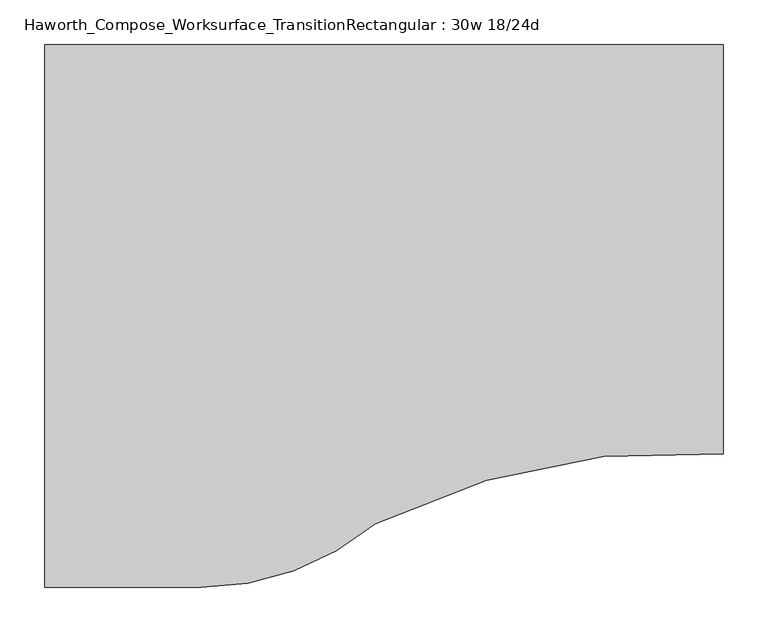
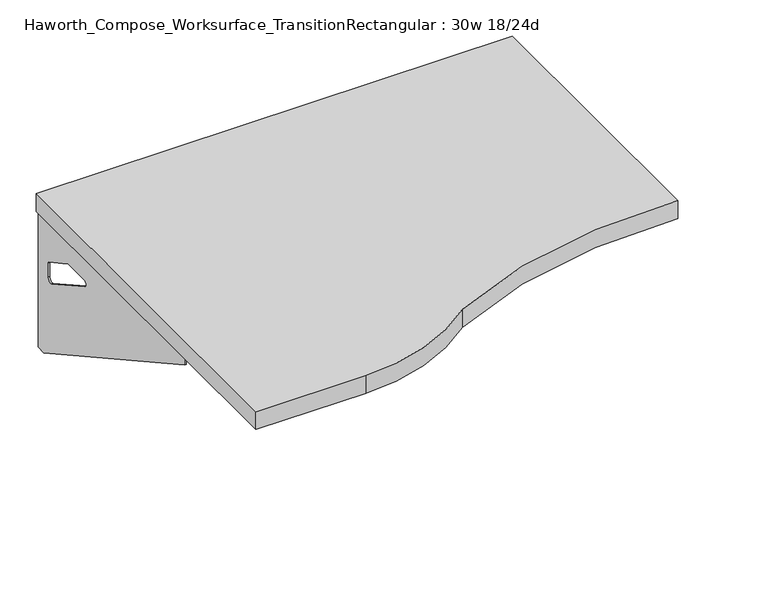
"""IFC4 building model written with IfcOpenShell, lengths in millimetres: furniture geometry, Haworth_Compose_Worksurface_TransitionRectangular : 30w 18/24d."""

from ifc_helpers import new_model, si_unit, point, frame, frame_2d, origin, place, context, project, spatial, polyline, circle_curve, trimmed, segment, composite_curve, outline, extrude, source, transform, mapped, element, save
from ifc_brep_helpers import plane_surface, revolved_surface, advanced_brep


def haworth_compose_worksurface_transitionrectangular_30w_18_24d_7a8aa295(model_context):
    return source(origin(), model_context, "Body", "SolidModel", [
        advanced_brep(
        [(356.39375, 152.4, 475.45625), (356.39375, 136.525, 475.45625), (356.39375, -254.0, 691.7192568), (356.39375, -254.0, 704.05625), (356.39375, 136.525, 704.05625), (356.39375, 152.4, 704.05625), (356.39375, 69.090072, 665.95625), (356.39375, 25.4355284, 665.95625), (356.39375, 22.7564235, 656.3705539), (356.39375, 114.4776173, 605.5776439), (356.39375, 123.825, 611.1756969), (356.39375, 123.825, 634.6860246), (356.39375, 122.0730055, 637.5242776), (356.39375, 72.1663437, 665.1613425), (358.775, 152.4, 475.45625), (358.775, 152.4, 704.05625), (358.775, 136.525, 704.05625), (358.775, 136.525, 706.4375), (358.775, -254.0, 706.4375), (358.775, -254.0, 691.7192568), (358.775, 136.525, 475.45625), (358.775, 69.090072, 665.95625), (358.775, 72.1663437, 665.1613425), (358.775, 122.0730055, 637.5242776), (358.775, 123.825, 634.6860246), (358.775, 123.825, 611.1756969), (358.775, 114.4776173, 605.5776439), (358.775, 22.7564235, 656.3705539), (358.775, 25.4355284, 665.95625), (317.5, -254.0, 706.4375), (317.5, -254.0, 704.05625), (317.5, 136.525, 704.05625), (317.5, 136.525, 706.4375)],
        [
            (0, 1),
            (1, 2),
            (2, 3),
            (3, 4),
            (4, 5),
            (5, 0),
            (6, 7),
            (7, 8, circle_curve(frame((356.39375, 25.4355284, 660.7890106), z_axis=(1.0, 0.0, 0.0), x_axis=(0.0, -1.0, 0.0)), 5.1672394)),
            (8, 9),
            (9, 10, circle_curve(frame((356.39375, 117.475, 611.1756969), z_axis=(1.0, 0.0, 0.0), x_axis=(0.0, -1.0, 0.0)), 6.35)),
            (10, 11),
            (11, 12, circle_curve(frame((356.39375, 120.65, 634.6860246), z_axis=(1.0, 0.0, 0.0), x_axis=(0.0, -1.0, 0.0)), 3.175)),
            (12, 13),
            (13, 6, circle_curve(frame((356.39375, 69.090072, 659.60625), z_axis=(1.0, 0.0, 0.0), x_axis=(0.0, -1.0, 0.0)), 6.35)),
            (14, 15),
            (15, 16),
            (16, 17),
            (17, 18),
            (18, 19),
            (19, 20),
            (20, 14),
            (21, 22, circle_curve(frame((358.775, 69.090072, 659.60625), z_axis=(-1.0, 0.0, 0.0), x_axis=(0.0, -1.0, 0.0)), 6.35)),
            (22, 23),
            (23, 24, circle_curve(frame((358.775, 120.65, 634.6860246), z_axis=(-1.0, 0.0, 0.0), x_axis=(0.0, -1.0, 0.0)), 3.175)),
            (24, 25),
            (25, 26, circle_curve(frame((358.775, 117.475, 611.1756969), z_axis=(-1.0, 0.0, 0.0), x_axis=(0.0, -1.0, 0.0)), 6.35)),
            (26, 27),
            (27, 28, circle_curve(frame((358.775, 25.4355284, 660.7890106), z_axis=(-1.0, 0.0, 0.0), x_axis=(0.0, -1.0, 0.0)), 5.1672394)),
            (28, 21),
            (4, 16),
            (15, 5),
            (14, 0),
            (20, 1),
            (19, 2),
            (18, 29),
            (29, 30),
            (30, 3),
            (6, 21),
            (28, 7),
            (9, 26),
            (25, 10),
            (24, 11),
            (23, 12),
            (27, 8),
            (31, 4),
            (30, 31),
            (32, 29),
            (17, 32),
            (31, 32),
            (22, 13),
        ],
        [
            plane_surface(frame((356.39375, 152.4, 475.45625), z_axis=(-1.0, 0.0, 0.0), x_axis=(0.0, 1.0, 0.0))),
            plane_surface(frame((358.775, 152.4, 475.45625), z_axis=(1.0, 0.0, 0.0), x_axis=(0.0, -1.0, 0.0))),
            plane_surface(frame((358.775, -254.0, 704.05625), z_axis=(0.0, 0.0, 1.0), x_axis=(-1.0, 0.0, 0.0))),
            plane_surface(frame((358.775, 152.4, 704.05625), z_axis=(0.0, 1.0, 0.0), x_axis=(-1.0, 0.0, 0.0))),
            plane_surface(frame((358.775, 152.4, 475.45625), z_axis=(0.0, 0.0, -1.0), x_axis=(-1.0, 0.0, 0.0))),
            plane_surface(frame((358.775, 136.525, 475.45625), z_axis=(0.0, -0.48445223513455843, -0.8748177135112952), x_axis=(-1.0, 0.0, 0.0))),
            plane_surface(frame((358.775, -254.0, 691.7192568), z_axis=(0.0, -1.0, 0.0), x_axis=(-1.0, 0.0, 0.0))),
            plane_surface(frame((358.775, 69.090072, 665.95625), z_axis=(0.0, 0.0, -1.0), x_axis=(-1.0, 0.0, 0.0))),
            revolved_surface(polyline([(356.39375, 111.125, 611.1756969), (358.775, 111.125, 611.1756969)]), (358.775, 117.475, 611.1756969), (-1.0, 0.0, 0.0)),
            plane_surface(frame((358.775, 123.825, 611.1756969), z_axis=(0.0, -1.0, 0.0), x_axis=(-1.0, 0.0, 0.0))),
            revolved_surface(polyline([(356.39375, 117.47500000000001, 634.6860246), (358.775, 117.47500000000001, 634.6860246)]), (358.775, 120.65, 634.6860246), (-1.0, 0.0, 0.0)),
            revolved_surface(polyline([(356.39375, 20.268289, 660.7890106), (358.775, 20.268289, 660.7890106)]), (358.775, 25.4355284, 660.7890106), (-1.0, 0.0, 0.0)),
            plane_surface(frame((358.775, 136.525, 704.05625), z_axis=(0.0, 0.0, -1.0), x_axis=(-1.0, 0.0, 0.0))),
            plane_surface(frame((358.775, 136.525, 706.4375), z_axis=(0.0, 0.0, 1.0), x_axis=(1.0, 0.0, 0.0))),
            plane_surface(frame((317.5, 136.525, 706.4375), z_axis=(0.0, 1.0, 0.0), x_axis=(0.0, 0.0, -1.0))),
            plane_surface(frame((317.5, -254.0, 706.4375), z_axis=(-1.0, 0.0, 0.0), x_axis=(0.0, 0.0, -1.0))),
            plane_surface(frame((358.775, 22.7564235, 656.3705539), z_axis=(0.0, 0.4844522351345583, 0.8748177135112953), x_axis=(-1.0, 0.0, 0.0))),
            plane_surface(frame((358.775, 122.0730055, 637.5242776), z_axis=(0.0, -0.4844522351345582, -0.8748177135112953), x_axis=(-1.0, 0.0, 0.0))),
            revolved_surface(polyline([(356.39375, 62.740072000000005, 659.60625), (358.775, 62.740072000000005, 659.60625)]), (358.775, 69.090072, 659.60625), (-1.0, 0.0, 0.0)),
        ],
        [
            (0, [[1, 2, 3, 4, 5, 6], [7, 8, 9, 10, 11, 12, 13, 14]]),
            (1, [[15, 16, 17, 18, 19, 20, 21], [22, 23, 24, 25, 26, 27, 28, 29]]),
            (2, [[-5, 30, -16, 31]]),
            (3, [[-31, -15, 32, -6]]),
            (4, [[-32, -21, 33, -1]]),
            (5, [[-33, -20, 34, -2]]),
            (6, [[-34, -19, 35, 36, 37, -3]]),
            (7, [[38, -29, 39, -7]]),
            (8, [[40, -26, 41, -10]]),
            (9, [[-41, -25, 42, -11]]),
            (10, [[-42, -24, 43, -12]]),
            (11, [[-39, -28, 44, -8]]),
            (12, [[45, -4, -37, 46]]),
            (13, [[47, -35, -18, 48]]),
            (14, [[-17, -30, -45, 49, -48]]),
            (15, [[-36, -47, -49, -46]]),
            (16, [[-44, -27, -40, -9]]),
            (17, [[-43, -23, 50, -13]]),
            (18, [[-50, -22, -38, -14]]),
        ],
    ),
        advanced_brep(
        [(-394.49375, 152.4, 475.45625), (-394.49375, 152.4, 704.05625), (-394.49375, 136.525, 704.05625), (-394.49375, -254.0, 704.05625), (-394.49375, -254.0, 691.7192568), (-394.49375, 136.525, 475.45625), (-394.49375, 69.090072, 665.95625), (-394.49375, 72.1663437, 665.1613425), (-394.49375, 122.0730055, 637.5242776), (-394.49375, 123.825, 634.6860246), (-394.49375, 123.825, 611.1756969), (-394.49375, 114.4776173, 605.5776439), (-394.49375, 22.7564235, 656.3705539), (-394.49375, 25.4355284, 665.95625), (-396.875, 152.4, 475.45625), (-396.875, 136.525, 475.45625), (-396.875, -254.0, 691.7192568), (-396.875, -254.0, 706.4375), (-396.875, 136.525, 706.4375), (-396.875, 136.525, 704.05625), (-396.875, 152.4, 704.05625), (-396.875, 69.090072, 665.95625), (-396.875, 25.4355284, 665.95625), (-396.875, 22.7564235, 656.3705539), (-396.875, 114.4776173, 605.5776439), (-396.875, 123.825, 611.1756969), (-396.875, 123.825, 634.6860246), (-396.875, 122.0730055, 637.5242776), (-396.875, 72.1663437, 665.1613425), (-355.6, -254.0, 704.05625), (-355.6, -254.0, 706.4375), (-355.6, 136.525, 704.05625), (-355.6, 136.525, 706.4375)],
        [
            (0, 1),
            (1, 2),
            (2, 3),
            (3, 4),
            (4, 5),
            (5, 0),
            (6, 7, circle_curve(frame((-394.49375, 69.090072, 659.60625), z_axis=(-1.0, 0.0, 0.0), x_axis=(0.0, -1.0, 0.0)), 6.35)),
            (7, 8),
            (8, 9, circle_curve(frame((-394.49375, 120.65, 634.6860246), z_axis=(-1.0, 0.0, 0.0), x_axis=(0.0, -1.0, 0.0)), 3.175)),
            (9, 10),
            (10, 11, circle_curve(frame((-394.49375, 117.475, 611.1756969), z_axis=(-1.0, 0.0, 0.0), x_axis=(0.0, -1.0, 0.0)), 6.35)),
            (11, 12),
            (12, 13, circle_curve(frame((-394.49375, 25.4355284, 660.7890106), z_axis=(-1.0, 0.0, 0.0), x_axis=(0.0, -1.0, 0.0)), 5.1672394)),
            (13, 6),
            (14, 15),
            (15, 16),
            (16, 17),
            (17, 18),
            (18, 19),
            (19, 20),
            (20, 14),
            (21, 22),
            (22, 23, circle_curve(frame((-396.875, 25.4355284, 660.7890106), z_axis=(1.0, 0.0, 0.0), x_axis=(0.0, -1.0, 0.0)), 5.1672394)),
            (23, 24),
            (24, 25, circle_curve(frame((-396.875, 117.475, 611.1756969), z_axis=(1.0, 0.0, 0.0), x_axis=(0.0, -1.0, 0.0)), 6.35)),
            (25, 26),
            (26, 27, circle_curve(frame((-396.875, 120.65, 634.6860246), z_axis=(1.0, 0.0, 0.0), x_axis=(0.0, -1.0, 0.0)), 3.175)),
            (27, 28),
            (28, 21, circle_curve(frame((-396.875, 69.090072, 659.60625), z_axis=(1.0, 0.0, 0.0), x_axis=(0.0, -1.0, 0.0)), 6.35)),
            (1, 20),
            (19, 2),
            (0, 14),
            (5, 15),
            (4, 16),
            (3, 29),
            (29, 30),
            (30, 17),
            (13, 22),
            (21, 6),
            (10, 25),
            (24, 11),
            (9, 26),
            (8, 27),
            (12, 23),
            (31, 29),
            (2, 31),
            (32, 18),
            (30, 32),
            (32, 31),
            (7, 28),
        ],
        [
            plane_surface(frame((-394.49375, 152.4, 475.45625), z_axis=(1.0, 0.0, 0.0), x_axis=(0.0, 1.0, 0.0))),
            plane_surface(frame((-396.875, 152.4, 475.45625), z_axis=(-1.0, 0.0, 0.0), x_axis=(0.0, -1.0, 0.0))),
            plane_surface(frame((-396.875, -254.0, 704.05625), z_axis=(0.0, 0.0, 1.0), x_axis=(1.0, 0.0, 0.0))),
            plane_surface(frame((-396.875, 152.4, 704.05625), z_axis=(0.0, 1.0, 0.0), x_axis=(1.0, 0.0, 0.0))),
            plane_surface(frame((-396.875, 152.4, 475.45625), z_axis=(0.0, 0.0, -1.0), x_axis=(1.0, 0.0, 0.0))),
            plane_surface(frame((-396.875, 136.525, 475.45625), z_axis=(0.0, -0.48445223513455843, -0.8748177135112952), x_axis=(1.0, 0.0, 0.0))),
            plane_surface(frame((-396.875, -254.0, 691.7192568), z_axis=(0.0, -1.0, 0.0), x_axis=(1.0, 0.0, 0.0))),
            plane_surface(frame((-396.875, 69.090072, 665.95625), z_axis=(0.0, 0.0, -1.0), x_axis=(1.0, 0.0, 0.0))),
            revolved_surface(polyline([(-394.49375, 111.125, 611.1756969), (-396.875, 111.125, 611.1756969)]), (-396.875, 117.475, 611.1756969), (1.0, 0.0, 0.0)),
            plane_surface(frame((-396.875, 123.825, 611.1756969), z_axis=(0.0, -1.0, 0.0), x_axis=(1.0, 0.0, 0.0))),
            revolved_surface(polyline([(-394.49375, 117.47500000000001, 634.6860246), (-396.875, 117.47500000000001, 634.6860246)]), (-396.875, 120.65, 634.6860246), (1.0, 0.0, 0.0)),
            revolved_surface(polyline([(-394.49375, 20.268289, 660.7890106), (-396.875, 20.268289, 660.7890106)]), (-396.875, 25.4355284, 660.7890106), (1.0, 0.0, 0.0)),
            plane_surface(frame((-396.875, 136.525, 704.05625), z_axis=(0.0, 0.0, -1.0), x_axis=(1.0, 0.0, 0.0))),
            plane_surface(frame((-396.875, 136.525, 706.4375), z_axis=(0.0, 0.0, 1.0), x_axis=(-1.0, 0.0, 0.0))),
            plane_surface(frame((-355.6, 136.525, 706.4375), z_axis=(0.0, 1.0, 0.0), x_axis=(0.0, 0.0, -1.0))),
            plane_surface(frame((-355.6, -254.0, 706.4375), z_axis=(1.0, 0.0, 0.0), x_axis=(0.0, 0.0, -1.0))),
            plane_surface(frame((-396.875, 22.7564235, 656.3705539), z_axis=(0.0, 0.4844522351345583, 0.8748177135112953), x_axis=(1.0, 0.0, 0.0))),
            plane_surface(frame((-396.875, 122.0730055, 637.5242776), z_axis=(0.0, -0.4844522351345582, -0.8748177135112953), x_axis=(1.0, 0.0, 0.0))),
            revolved_surface(polyline([(-394.49375, 62.740072000000005, 659.60625), (-396.875, 62.740072000000005, 659.60625)]), (-396.875, 69.090072, 659.60625), (1.0, 0.0, 0.0)),
        ],
        [
            (0, [[1, 2, 3, 4, 5, 6], [7, 8, 9, 10, 11, 12, 13, 14]]),
            (1, [[15, 16, 17, 18, 19, 20, 21], [22, 23, 24, 25, 26, 27, 28, 29]]),
            (2, [[30, -20, 31, -2]]),
            (3, [[-1, 32, -21, -30]]),
            (4, [[-6, 33, -15, -32]]),
            (5, [[-5, 34, -16, -33]]),
            (6, [[-4, 35, 36, 37, -17, -34]]),
            (7, [[-14, 38, -22, 39]]),
            (8, [[-11, 40, -25, 41]]),
            (9, [[-10, 42, -26, -40]]),
            (10, [[-9, 43, -27, -42]]),
            (11, [[-13, 44, -23, -38]]),
            (12, [[45, -35, -3, 46]]),
            (13, [[47, -18, -37, 48]]),
            (14, [[-47, 49, -46, -31, -19]]),
            (15, [[-45, -49, -48, -36]]),
            (16, [[-12, -41, -24, -44]]),
            (17, [[-8, 50, -28, -43]]),
            (18, [[-7, -39, -29, -50]]),
        ],
    ),
        extrude(outline(composite_curve([segment(trimmed(circle_curve(frame_2d((311.7964534, -1067.8111083)), 762.0), [point((361.95, -307.4634103))], [point((-29.0473583, -386.2911188))], True, "CARTESIAN"), True, "CONTINUOUS"), segment(trimmed(circle_curve(frame_2d((-224.4904051, -152.4)), 304.8), [point((-29.0473583, -386.2911188))], [point((-224.4904051, -457.2))], False, "CARTESIAN"), True, "CONTINUOUS"), segment(polyline([(-224.4904051, -457.2), (-400.05, -457.2), (-400.05, 152.4), (361.95, 152.4), (361.95, -307.4634103)]), True, "CONTINUOUS")], self_intersect=False)), frame((0.0, 0.0, 706.4375), z_axis=(0.0, 0.0, 1.0), x_axis=(1.0, 0.0, 0.0)), (0.0, 0.0, 1.0), 30.1625),
    ])


if __name__ == "__main__":
    model = new_model("IFC4")
    model_context = context("Model", 3, world=origin())
    ifc_project = project(units=[si_unit("LENGTHUNIT", "METRE", prefix="MILLI")], contexts=[model_context])
    site = spatial("IfcSite", under=ifc_project)
    building = spatial("IfcBuilding", under=site)
    placement = place(None, origin())
    haworth_compose_worksurface_transitionrectangular_30w_18_24d_shape = haworth_compose_worksurface_transitionrectangular_30w_18_24d_7a8aa295(model_context)
    element("IfcFurniture", 1, ObjectType="Haworth_Compose_Worksurface_TransitionRectangular : 30w 18/24d", at=placement, inside=building, context=model_context, shape_type="MappedRepresentation", body=[
        mapped(haworth_compose_worksurface_transitionrectangular_30w_18_24d_shape, transform((0.0, 0.0, 0.0), x_axis=(1.0, 0.0, 0.0), y_axis=(0.0, 1.0, 0.0), z_axis=(0.0, 0.0, 1.0))),
    ])
    save(model, "model.ifc")
